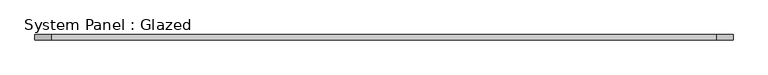
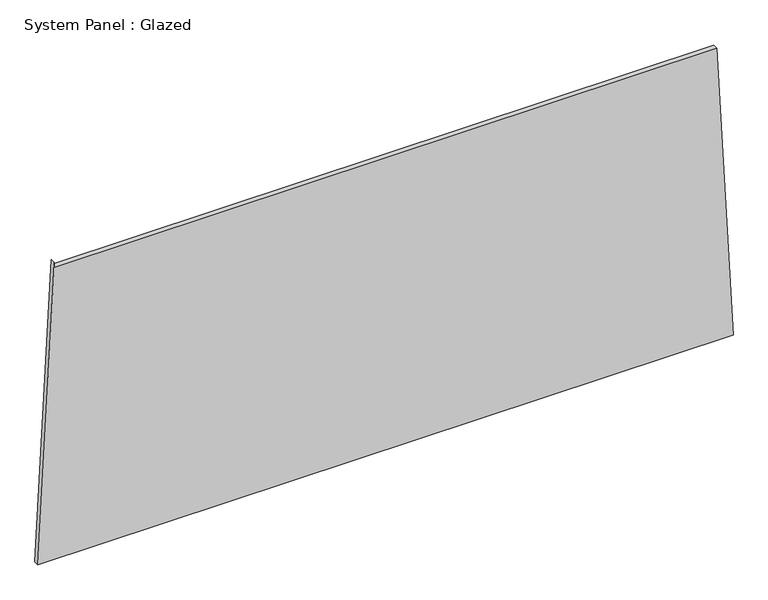
"""IFC4 building model written with IfcOpenShell, lengths in millimetres: plate geometry, System Panel : Glazed."""

from ifc_helpers import new_model, si_unit, frame, origin, place, context, project, spatial, polyline, outline, extrude, source, transform, mapped, element, save


def system_panel_glazed_113f6be7(model_context):
    return source(origin(), model_context, "Body", "SweptSolid", [
        extrude(outline(polyline([(0.0, -1628.809627), (0.0, 1628.809627), (1447.9559593, 1553.1446507), (1447.9553357, -1551.837724), (1472.9553357, -1551.837729), (0.0, -1628.809627)])), frame((0.0, -49.5, 0.0), z_axis=(0.0, 1.0, 0.0), x_axis=(0.0, 0.0, 1.0)), (0.0, 0.0, 1.0), 25.0),
    ])


if __name__ == "__main__":
    model = new_model("IFC4")
    model_context = context("Model", 3, world=origin())
    ifc_project = project(units=[si_unit("LENGTHUNIT", "METRE", prefix="MILLI")], contexts=[model_context])
    site = spatial("IfcSite", under=ifc_project)
    building = spatial("IfcBuilding", under=site)
    placement = place(None, origin())
    system_panel_glazed_shape = system_panel_glazed_113f6be7(model_context)
    element("IfcPlate", 1, ObjectType="System Panel : Glazed", at=placement, inside=building, context=model_context, shape_type="MappedRepresentation", body=[
        mapped(system_panel_glazed_shape, transform((0.0, 0.0, 0.0), x_axis=(1.0, 0.0, 0.0), y_axis=(0.0, 1.0, 0.0), z_axis=(0.0, 0.0, 1.0))),
    ])
    save(model, "model.ifc")
